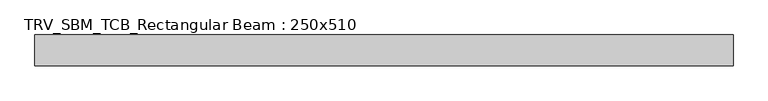
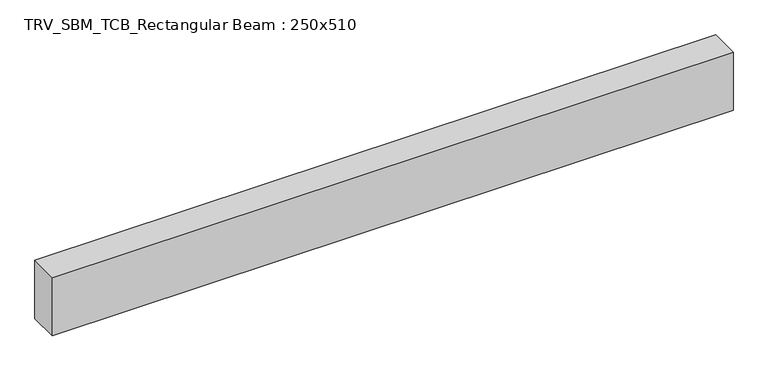
"""IFC4 building model written with IfcOpenShell, lengths in millimetres: beam geometry, TRV_SBM_TCB_Rectangular Beam : 250x510."""

from ifc_helpers import new_model, si_unit, frame, origin, place, context, project, spatial, polyline, outline, extrude, source, transform, mapped, element, save


def trv_sbm_tcb_rectangular_beam_250x510_ddddd736(model_context):
    return source(origin(), model_context, "Body", "SweptSolid", [
        extrude(outline(polyline([(2819.7, 125.0), (2819.7, -125.0), (-2819.7, -125.0), (-2819.7, 125.0), (2819.7, 125.0)])), frame((0.0, 0.0, -255.0), z_axis=(0.0, 0.0, 1.0), x_axis=(1.0, 0.0, 0.0)), (0.0, 0.0, 1.0), 510.0),
    ])


if __name__ == "__main__":
    model = new_model("IFC4")
    model_context = context("Model", 3, world=origin())
    ifc_project = project(units=[si_unit("LENGTHUNIT", "METRE", prefix="MILLI")], contexts=[model_context])
    site = spatial("IfcSite", under=ifc_project)
    building = spatial("IfcBuilding", under=site)
    placement = place(None, origin())
    trv_sbm_tcb_rectangular_beam_250x510_shape = trv_sbm_tcb_rectangular_beam_250x510_ddddd736(model_context)
    element("IfcBeam", 1, ObjectType="TRV_SBM_TCB_Rectangular Beam : 250x510", at=placement, inside=building, context=model_context, shape_type="MappedRepresentation", body=[
        mapped(trv_sbm_tcb_rectangular_beam_250x510_shape, transform((0.0, 0.0, 0.0), x_axis=(1.0, 0.0, 0.0), y_axis=(0.0, 1.0, 0.0), z_axis=(0.0, 0.0, 1.0))),
    ])
    save(model, "model.ifc")
